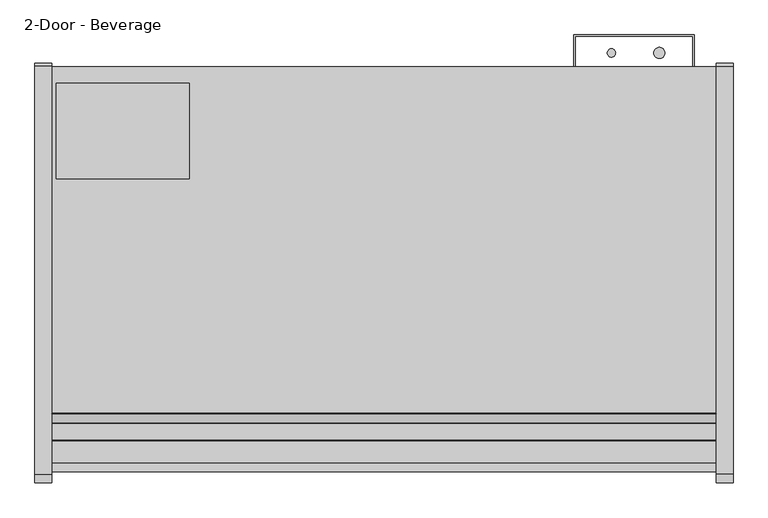
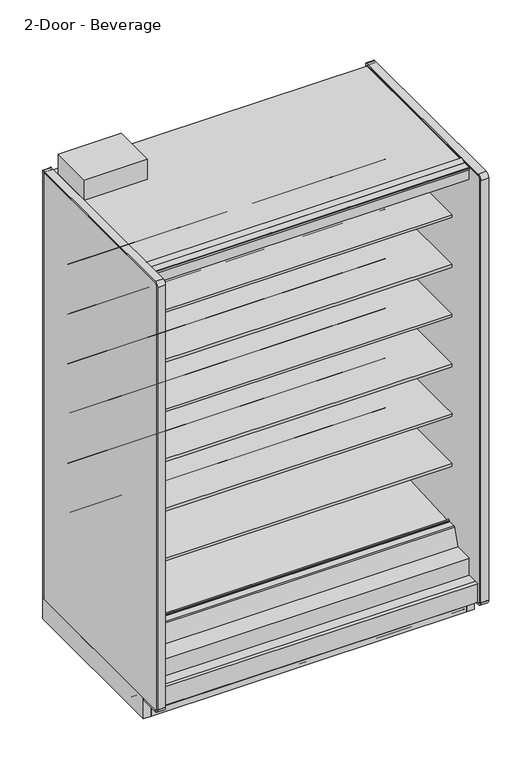
"""IFC4 building model written with IfcOpenShell, lengths in millimetres: proxy geometry, 2-Door - Beverage."""

import ifcopenshell
import ifcopenshell.guid

model = None  # the IFC model being written
_history = None  # IfcOwnerHistory: only IFC2X3 demands one
_inside = {}  # id of a spatial element -> (the spatial element, [elements in it])
_under = {}  # id of a project, library or spatial element -> (it, [spatial elements below it])
_declared = {}  # id of a project -> (the project, [libraries it declares])
_typed = {}  # id of a type object -> (the type object, [elements of that type])
_made_of = {}  # id of a material, layer set ... -> (it, [elements and type objects made of it])


def new_model(schema):
    """Start an empty IFC model of exactly this schema.

    Asked for "IFC4X3", IfcOpenShell would pick the latest addendum, in which some entities
    have other attributes; the version numbers below select the first issue.
    IFC2X3 requires an IfcOwnerHistory on every rooted entity: one is made here for all.
    """
    global model, _history
    if schema == "IFC4X3":
        model = ifcopenshell.file(schema_version=(4, 3, 0, 0))
    else:
        model = ifcopenshell.file(schema=schema)
    _inside.clear()
    _under.clear()
    _declared.clear()
    _typed.clear()
    _made_of.clear()
    _history = None
    if model.schema == "IFC2X3":
        org = make("IfcOrganization", Name="unknown")
        user = make(
            "IfcPersonAndOrganization",
            ThePerson=make("IfcPerson", FamilyName="unknown"),
            TheOrganization=org,
        )
        app = make(
            "IfcApplication",
            ApplicationDeveloper=org,
            Version="unknown",
            ApplicationFullName="unknown",
            ApplicationIdentifier="unknown",
        )
        _history = make(
            "IfcOwnerHistory",
            OwningUser=user,
            OwningApplication=app,
            ChangeAction="ADDED",
            CreationDate=0,
        )
    return model


def make(cls, **values):
    """One entity of the class cls with the attributes given. An attribute that is None is left unset."""
    return model.create_entity(
        cls, **{name: value for name, value in values.items() if value is not None}
    )


def rooted(cls, **values):
    """An entity with a GlobalId (a new one), such as an element, a storey or a relation."""
    return make(cls, GlobalId=ifcopenshell.guid.new(), OwnerHistory=_history, **values)


def si_unit(unit_type, name, prefix=None):
    """IfcSIUnit, for example si_unit("LENGTHUNIT", "METRE", prefix="MILLI")."""
    return make("IfcSIUnit", UnitType=unit_type, Prefix=prefix, Name=name)


def assignment(units):
    """IfcUnitAssignment: the units of a project."""
    return None if units is None else make("IfcUnitAssignment", Units=units)


def point(xyz):
    """IfcCartesianPoint."""
    return None if xyz is None else make("IfcCartesianPoint", Coordinates=xyz)


def direction(xyz):
    """IfcDirection."""
    return None if xyz is None else make("IfcDirection", DirectionRatios=xyz)


def frame(location, z_axis=None, x_axis=None):
    """IfcAxis2Placement3D, a coordinate frame: its origin and axes. An axis left out is left unset."""
    return make(
        "IfcAxis2Placement3D",
        Location=point(location),
        Axis=direction(z_axis),
        RefDirection=direction(x_axis),
    )


def frame_2d(location, x_axis=None):
    """IfcAxis2Placement2D, a coordinate frame in the plane: its origin and x axis."""
    return make(
        "IfcAxis2Placement2D", Location=point(location), RefDirection=direction(x_axis)
    )


def origin():
    """The frame at (0, 0, 0) with its axes left unset."""
    return frame((0.0, 0.0, 0.0))


def origin_with_axes():
    """The frame at (0, 0, 0) with the z axis (0, 0, 1) and the x axis (1, 0, 0) written out."""
    return frame((0.0, 0.0, 0.0), z_axis=(0.0, 0.0, 1.0), x_axis=(1.0, 0.0, 0.0))


def place(relative_to, where):
    """IfcLocalPlacement: puts the frame where relative to a parent placement (None: the world)."""
    return make(
        "IfcLocalPlacement", PlacementRelTo=relative_to, RelativePlacement=where
    )


def context(
    kind, dimensions, precision=None, world=None, true_north=None, identifier=None
):
    """IfcGeometricRepresentationContext, for example the 3D "Model" context."""
    return make(
        "IfcGeometricRepresentationContext",
        ContextIdentifier=identifier,
        ContextType=kind,
        CoordinateSpaceDimension=dimensions,
        Precision=precision,
        WorldCoordinateSystem=world,
        TrueNorth=true_north,
    )


def project(units=None, contexts=None):
    """IfcProject with its units and contexts."""
    return rooted(
        "IfcProject",
        Name="project",
        RepresentationContexts=contexts,
        UnitsInContext=assignment(units),
    )


def spatial(cls, under=None, at=None, **own):
    """A site, building, storey or space (cls), placed at a placement, below another one or the project."""
    s = rooted(cls, ObjectPlacement=at, **own)
    if under is not None:
        _under.setdefault(under.id(), (under, []))[1].append(s)
    return s


def polyline(points):
    """IfcPolyline through the points."""
    return make("IfcPolyline", Points=[point(p) for p in points])


def circle_curve(where, radius):
    """IfcCircle in the frame where."""
    return make("IfcCircle", Position=where, Radius=radius)


def trimmed(basis, trim1, trim2, sense, master):
    """IfcTrimmedCurve: the piece of a basis curve between two trims."""
    return make(
        "IfcTrimmedCurve",
        BasisCurve=basis,
        Trim1=trim1,
        Trim2=trim2,
        SenseAgreement=sense,
        MasterRepresentation=master,
    )


def segment(curve, same_sense, transition):
    """IfcCompositeCurveSegment."""
    return make(
        "IfcCompositeCurveSegment",
        Transition=transition,
        SameSense=same_sense,
        ParentCurve=curve,
    )


def composite_curve(segments, self_intersect=None):
    """IfcCompositeCurve: segments joined end to end."""
    return make("IfcCompositeCurve", Segments=segments, SelfIntersect=self_intersect)


def outline(outer, holes=None, kind="AREA"):
    """IfcArbitraryClosedProfileDef: a profile drawn as a closed curve; with holes, ...WithVoids."""
    if holes is None:
        return make("IfcArbitraryClosedProfileDef", ProfileType=kind, OuterCurve=outer)
    return make(
        "IfcArbitraryProfileDefWithVoids",
        ProfileType=kind,
        OuterCurve=outer,
        InnerCurves=holes,
    )


def extrude(swept, where, along, depth):
    """IfcExtrudedAreaSolid: the profile swept, set in the frame where, extruded along a direction by depth."""
    return make(
        "IfcExtrudedAreaSolid",
        SweptArea=swept,
        Position=where,
        ExtrudedDirection=direction(along),
        Depth=depth,
    )


def shape(context_of_items, identifier, shape_type, items):
    """IfcShapeRepresentation: the items that make up one representation, for example the "Body"."""
    return make(
        "IfcShapeRepresentation",
        ContextOfItems=context_of_items,
        RepresentationIdentifier=identifier,
        RepresentationType=shape_type,
        Items=items,
    )


def source(mapping_origin, context_of_items, identifier, shape_type, items):
    """IfcRepresentationMap: a shape defined once, which mapped items show again and again."""
    return make(
        "IfcRepresentationMap",
        MappingOrigin=mapping_origin,
        MappedRepresentation=shape(context_of_items, identifier, shape_type, items),
    )


def transform(
    local_origin,
    x_axis=None,
    y_axis=None,
    z_axis=None,
    scale=None,
    scale2=None,
    scale3=None,
    uniform=True,
):
    """IfcCartesianTransformationOperator3D, or its non-uniform kind. x_axis, y_axis, z_axis: its Axis1, 2, 3."""
    if uniform:
        return make(
            "IfcCartesianTransformationOperator3D",
            Axis1=direction(x_axis),
            Axis2=direction(y_axis),
            LocalOrigin=point(local_origin),
            Scale=scale,
            Axis3=direction(z_axis),
        )
    return make(
        "IfcCartesianTransformationOperator3DnonUniform",
        Axis1=direction(x_axis),
        Axis2=direction(y_axis),
        LocalOrigin=point(local_origin),
        Scale=scale,
        Axis3=direction(z_axis),
        Scale2=scale2,
        Scale3=scale3,
    )


def mapped(mapping_source, mapping_target):
    """IfcMappedItem: shows the shape of a source again, moved by a transform."""
    return make(
        "IfcMappedItem", MappingSource=mapping_source, MappingTarget=mapping_target
    )


def made_of(thing, what):
    """Note that an element or type object is made of a material, layer set ...; save() writes the relation."""
    if what is not None:
        _made_of.setdefault(what.id(), (what, []))[1].append(thing)
    return thing


def element(
    cls,
    number,
    at=None,
    inside=None,
    cuts=None,
    type_object=None,
    material=None,
    context=None,
    identifier="Body",
    shape_type=None,
    held_by="IfcProductDefinitionShape",
    body=None,
    shapes=None,
    **own,
):
    """One element of the class cls, such as IfcWall. Its Tag is "e" and its number.

    at: its placement. inside: the storey or other place that contains it. cuts: it is an
    opening in that element (IfcRelVoidsElement). A single representation is given by context,
    identifier, shape_type and body (its items); several are given by shapes. held_by: the class
    of the entity that holds the representations. save() writes the other relations.
    """
    e = rooted(cls, Tag="e%d" % number, ObjectPlacement=at, **own)
    if body is not None:
        shapes = [shape(context, identifier, shape_type, body)]
    if shapes is not None:
        e.Representation = make(held_by, Representations=shapes)
    if inside is not None:
        _inside.setdefault(inside.id(), (inside, []))[1].append(e)
    if cuts is not None:
        rooted(
            "IfcRelVoidsElement", RelatingBuildingElement=cuts, RelatedOpeningElement=e
        )
    if type_object is not None:
        _typed.setdefault(type_object.id(), (type_object, []))[1].append(e)
    return made_of(e, material)


def aggregate(whole, parts):
    """IfcRelAggregates: a whole, such as a stair, and the parts it consists of."""
    return rooted("IfcRelAggregates", RelatingObject=whole, RelatedObjects=parts)


def save(model, path):
    """Write the relations noted so far, then the file.

    IfcRelAggregates (storeys below a building ...), IfcRelContainedInSpatialStructure (elements
    in a storey), IfcRelDefinesByType, IfcRelAssociatesMaterial and IfcRelDeclares: one each for
    every whole, place, type object, material and project.
    """
    for whole, parts in _under.values():
        aggregate(whole, parts)
    for where, things in _inside.values():
        rooted(
            "IfcRelContainedInSpatialStructure",
            RelatedElements=things,
            RelatingStructure=where,
        )
    for kind, things in _typed.values():
        rooted("IfcRelDefinesByType", RelatedObjects=things, RelatingType=kind)
    for what, things in _made_of.values():
        rooted("IfcRelAssociatesMaterial", RelatedObjects=things, RelatingMaterial=what)
    for by, libraries in _declared.values():
        rooted("IfcRelDeclares", RelatingContext=by, RelatedDefinitions=libraries)
    model.write(path)


def plane_surface(at):
    """IfcPlane: the flat surface through the origin of the frame at, square to its z axis."""
    return make("IfcPlane", Position=at)


def cylinder_surface(at, radius):
    """IfcCylindricalSurface: all points at the distance radius from the z axis of the frame at."""
    return make("IfcCylindricalSurface", Position=at, Radius=radius)


def revolved_surface(curve, axis_point, axis_direction):
    """IfcSurfaceOfRevolution: the curve turned about the line through axis_point along axis_direction."""
    return make(
        "IfcSurfaceOfRevolution",
        SweptCurve=make("IfcArbitraryOpenProfileDef", ProfileType="CURVE", Curve=curve),
        AxisPosition=make("IfcAxis1Placement", Location=point(axis_point), Axis=direction(axis_direction)),
    )


def advanced_brep(points, edges, surfaces, faces):
    """IfcAdvancedBrep: a solid bounded by faces that lie on surfaces and meet in shared edges.

    An edge is (start, end): straight between two places in points (the first is 0);
    or (start, end, curve); or (start, end, curve, False) where it runs against its curve.
    A face is (place in surfaces, loops), or (place, loops, False) where it looks against
    its surface's normal. A loop lists edges by number (the first is 1), with a minus sign
    where the edge is run from its end to its start. The first loop is the outer one.
    """
    corners = [point(p) for p in points]
    vertices = [make("IfcVertexPoint", VertexGeometry=c) for c in corners]
    made = []
    for start, end, *more in edges:
        made.append(
            make(
                "IfcEdgeCurve",
                EdgeStart=vertices[start],
                EdgeEnd=vertices[end],
                EdgeGeometry=more[0] if more else make("IfcPolyline", Points=[corners[start], corners[end]]),
                SameSense=more[1] if len(more) > 1 else True,
            )
        )
    hull = []
    for where, loops, *sense in faces:
        bounds = []
        for j, loop in enumerate(loops):
            ring = [make("IfcOrientedEdge", EdgeElement=made[abs(k) - 1], Orientation=k > 0) for k in loop]
            bounds.append(
                make(
                    "IfcFaceOuterBound" if j == 0 else "IfcFaceBound",
                    Bound=make("IfcEdgeLoop", EdgeList=ring),
                    Orientation=True,
                )
            )
        hull.append(make("IfcAdvancedFace", Bounds=bounds, FaceSurface=surfaces[where], SameSense=sense[0] if sense else True))
    return make("IfcAdvancedBrep", Outer=make("IfcClosedShell", CfsFaces=hull))


def proxy_2_door_beverage_eebca44d(model_context):
    return source(origin(), model_context, "Body", "SolidModel", [
        extrude(outline(polyline([(1524.0, -1167.5349267), (1524.0, -1183.4099267), (0.0, -1183.4099267), (0.0, -1167.5349267), (1524.0, -1167.5349267)])), origin_with_axes(), (0.0, 0.0, 1.0), 105.16235),
        extrude(outline(polyline([(315.9000882, -386.7007273), (315.9000882, -605.1295388), (11.1115648, -605.1295388), (11.1115648, -386.7007273), (315.9000882, -386.7007273)])), frame((0.0, 0.0, 2282.825), z_axis=(0.0, 0.0, 1.0), x_axis=(1.0, 0.0, 0.0)), (0.0, 0.0, 1.0), 101.6),
        extrude(outline(composite_curve([segment(trimmed(circle_curve(frame_2d((1393.1930803, -317.2571273)), 12.7), [point((1380.4930803, -317.2571273))], [point((1405.8930803, -317.2571273))], False, "CARTESIAN"), True, "CONTINUOUS"), segment(trimmed(circle_curve(frame_2d((1393.1930803, -317.2571273)), 12.7), [point((1405.8930803, -317.2571273))], [point((1380.4930803, -317.2571273))], False, "CARTESIAN"), True, "CONTINUOUS")], self_intersect=False)), frame((0.0, 0.0, 1447.6965458), z_axis=(0.0, 0.0, 1.0), x_axis=(1.0, 0.0, 0.0)), (0.0, 0.0, 1.0), 508.0),
        extrude(outline(composite_curve([segment(trimmed(circle_curve(frame_2d((1283.2004524, -317.2571273)), 9.525), [point((1273.6754524, -317.2571273))], [point((1292.7254524, -317.2571273))], False, "CARTESIAN"), True, "CONTINUOUS"), segment(trimmed(circle_curve(frame_2d((1283.2004524, -317.2571273)), 9.525), [point((1292.7254524, -317.2571273))], [point((1273.6754524, -317.2571273))], False, "CARTESIAN"), True, "CONTINUOUS")], self_intersect=False)), frame((0.0, 0.0, 1447.6965458), z_axis=(0.0, 0.0, 1.0), x_axis=(1.0, 0.0, 0.0)), (0.0, 0.0, 1.0), 508.0),
        extrude(outline(composite_curve([segment(trimmed(circle_curve(frame_2d((1384.8004524, -526.8071273)), 9.525), [point((1375.2754524, -526.8071273))], [point((1394.3254524, -526.8071273))], False, "CARTESIAN"), True, "CONTINUOUS"), segment(trimmed(circle_curve(frame_2d((1384.8004524, -526.8071273)), 9.525), [point((1394.3254524, -526.8071273))], [point((1375.2754524, -526.8071273))], False, "CARTESIAN"), True, "CONTINUOUS")], self_intersect=False)), frame((0.0, 0.0, 57.8450688), z_axis=(0.0, 0.0, 1.0), x_axis=(1.0, 0.0, 0.0)), (0.0, 0.0, 1.0), 47.3172812),
        extrude(outline(composite_curve([segment(trimmed(circle_curve(frame_2d((1431.2930803, -526.8071273)), 12.7), [point((1418.5930803, -526.8071273))], [point((1443.9930803, -526.8071273))], False, "CARTESIAN"), True, "CONTINUOUS"), segment(trimmed(circle_curve(frame_2d((1431.2930803, -526.8071273)), 12.7), [point((1443.9930803, -526.8071273))], [point((1418.5930803, -526.8071273))], False, "CARTESIAN"), True, "CONTINUOUS")], self_intersect=False)), frame((0.0, 0.0, 57.8450688), z_axis=(0.0, 0.0, 1.0), x_axis=(1.0, 0.0, 0.0)), (0.0, 0.0, 1.0), 47.3172812),
        extrude(outline(composite_curve([segment(trimmed(circle_curve(frame_2d((762.0, -945.9071273)), 38.1), [point((723.9, -945.9071273))], [point((800.1, -945.9071273))], False, "CARTESIAN"), True, "CONTINUOUS"), segment(trimmed(circle_curve(frame_2d((762.0, -945.9071273)), 38.1), [point((800.1, -945.9071273))], [point((723.9, -945.9071273))], False, "CARTESIAN"), True, "CONTINUOUS")], self_intersect=False)), frame((0.0, 0.0, 57.8450688), z_axis=(0.0, 0.0, 1.0), x_axis=(1.0, 0.0, 0.0)), (0.0, 0.0, 1.0), 47.3172812),
        extrude(outline(polyline([(114.3, -411.7999572), (114.3, -462.5999572), (0.0, -462.5999572), (0.0, -411.7999572), (114.3, -411.7999572)])), frame((0.0, 0.0, 63.88735), z_axis=(0.0, 0.0, 1.0), x_axis=(1.0, 0.0, 0.0)), (0.0, 0.0, 1.0), 6.35),
        extrude(outline(polyline([(-349.0071273, 2231.5678), (-349.0071273, 105.16235), (-1256.6126273, 105.16235), (-1256.6126273, 201.2447768), (-1205.5205047, 201.2447768), (-1205.5205047, 169.3369447), (-1112.6665508, 150.0632248), (-401.0517273, 187.3573774), (-401.0517273, 2231.5678), (-349.0071273, 2231.5678)])), frame((0.0, 0.0, 0.0), z_axis=(1.0, 0.0, 0.0), x_axis=(0.0, 1.0, 0.0)), (0.0, 0.0, 1.0), 1524.0),
        advanced_brep(
        [(1524.0, -1018.871097, 105.16235), (1524.0, -1022.1071273, 101.9263197), (1524.0, -1022.1071273, 2.3876), (1524.0, -1019.7195273, 0.0), (1524.0, -982.0132273, 0.0), (1524.0, -982.0132273, 70.23735), (1524.0, -383.2457368, 70.23735), (1524.0, -383.2457368, 0.0), (1524.0, -351.3947273, 0.0), (1524.0, -349.0071273, 2.3876), (1524.0, -349.0071273, 100.830191), (1524.0, -353.3392863, 105.16235), (0.0, -1018.871097, 105.16235), (0.0, -353.3392863, 105.16235), (0.0, -349.0071273, 100.830191), (0.0, -349.0071273, 2.3876), (0.0, -351.3947273, 0.0), (0.0, -383.2457368, 0.0), (0.0, -383.2457368, 70.23735), (0.0, -982.0132273, 70.23735), (0.0, -982.0132273, 0.0), (0.0, -1019.7195273, 0.0), (0.0, -1022.1071273, 2.3876), (0.0, -1022.1071273, 101.9263197), (812.8, -945.9071273, 105.16235), (711.2, -945.9071273, 105.16235), (1460.5, -526.8071273, 105.16235), (1358.9, -526.8071273, 105.16235), (726.2650095, -982.0132273, 70.23735), (797.7349905, -982.0132273, 70.23735), (812.8, -945.9071273, 70.23735), (711.2, -945.9071273, 70.23735), (1358.9, -526.8071273, 70.23735), (1460.5, -526.8071273, 70.23735)],
        [
            (0, 1, circle_curve(frame((1524.0, -1018.871097, 101.9263197), z_axis=(1.0, 0.0, 0.0), x_axis=(0.0, 1.0, 0.0)), 3.2360303)),
            (1, 2),
            (2, 3, circle_curve(frame((1524.0, -1019.7195273, 2.3876), z_axis=(1.0, 0.0, 0.0), x_axis=(0.0, 1.0, 0.0)), 2.3876)),
            (3, 4),
            (4, 5),
            (5, 6),
            (6, 7),
            (7, 8),
            (8, 9, circle_curve(frame((1524.0, -351.3947273, 2.3876), z_axis=(1.0, 0.0, 0.0), x_axis=(0.0, 1.0, 0.0)), 2.3876)),
            (9, 10),
            (10, 11, circle_curve(frame((1524.0, -353.3392863, 100.830191), z_axis=(1.0, 0.0, 0.0), x_axis=(0.0, 1.0, 0.0)), 4.332159)),
            (11, 0),
            (12, 13),
            (13, 14, circle_curve(frame((0.0, -353.3392863, 100.830191), z_axis=(-1.0, 0.0, 0.0), x_axis=(0.0, 1.0, 0.0)), 4.332159)),
            (14, 15),
            (15, 16, circle_curve(frame((0.0, -351.3947273, 2.3876), z_axis=(-1.0, 0.0, 0.0), x_axis=(0.0, 1.0, 0.0)), 2.3876)),
            (16, 17),
            (17, 18),
            (18, 19),
            (19, 20),
            (20, 21),
            (21, 22, circle_curve(frame((0.0, -1019.7195273, 2.3876), z_axis=(-1.0, 0.0, 0.0), x_axis=(0.0, 1.0, 0.0)), 2.3876)),
            (22, 23),
            (23, 12, circle_curve(frame((0.0, -1018.871097, 101.9263197), z_axis=(-1.0, 0.0, 0.0), x_axis=(0.0, 1.0, 0.0)), 3.2360303)),
            (10, 14),
            (13, 11),
            (12, 0),
            (24, 25, circle_curve(frame((762.0, -945.9071273, 105.16235), z_axis=(0.0, 0.0, -1.0), x_axis=(1.0, 0.0, 0.0)), 50.8)),
            (25, 24, circle_curve(frame((762.0, -945.9071273, 105.16235), z_axis=(0.0, 0.0, -1.0), x_axis=(1.0, 0.0, 0.0)), 50.8)),
            (26, 27, circle_curve(frame((1409.7, -526.8071273, 105.16235), z_axis=(0.0, 0.0, -1.0), x_axis=(1.0, 0.0, 0.0)), 50.8)),
            (27, 26, circle_curve(frame((1409.7, -526.8071273, 105.16235), z_axis=(0.0, 0.0, -1.0), x_axis=(1.0, 0.0, 0.0)), 50.8)),
            (23, 1),
            (22, 2),
            (21, 3),
            (20, 4),
            (19, 28),
            (28, 29),
            (29, 5),
            (29, 30, circle_curve(frame((762.0, -945.9071273, 70.23735), z_axis=(0.0, 0.0, 1.0), x_axis=(1.0, 0.0, 0.0)), 50.8)),
            (30, 31, circle_curve(frame((762.0, -945.9071273, 70.23735), z_axis=(0.0, 0.0, 1.0), x_axis=(1.0, 0.0, 0.0)), 50.8)),
            (31, 28, circle_curve(frame((762.0, -945.9071273, 70.23735), z_axis=(0.0, 0.0, 1.0), x_axis=(1.0, 0.0, 0.0)), 50.8)),
            (18, 6),
            (32, 33, circle_curve(frame((1409.7, -526.8071273, 70.23735), z_axis=(0.0, 0.0, 1.0), x_axis=(1.0, 0.0, 0.0)), 50.8)),
            (33, 32, circle_curve(frame((1409.7, -526.8071273, 70.23735), z_axis=(0.0, 0.0, 1.0), x_axis=(1.0, 0.0, 0.0)), 50.8)),
            (17, 7),
            (16, 8),
            (15, 9),
            (28, 29, circle_curve(frame((762.0, -945.9071273, 70.23735), z_axis=(0.0, 0.0, 1.0), x_axis=(1.0, 0.0, 0.0)), 50.8)),
            (24, 30),
            (31, 25),
            (32, 27),
            (26, 33),
        ],
        [
            plane_surface(frame((1524.0, -1015.6350667, 101.9263197), z_axis=(1.0, 0.0, 0.0), x_axis=(0.0, 0.0, 1.0))),
            plane_surface(frame((0.0, -1015.6350667, 101.9263197), z_axis=(-1.0, 0.0, 0.0), x_axis=(0.0, 0.0, -1.0))),
            cylinder_surface(frame((0.0, -353.3392863, 100.830191), z_axis=(1.0, 0.0, 0.0), x_axis=(0.0, 1.0, 0.0)), 4.332159),
            plane_surface(frame((1524.0, -353.3392863, 105.16235), z_axis=(0.0, 0.0, 1.0), x_axis=(-1.0, 0.0, 0.0))),
            cylinder_surface(frame((0.0, -1018.871097, 101.9263197), z_axis=(1.0, 0.0, 0.0), x_axis=(0.0, 1.0, 0.0)), 3.2360303),
            plane_surface(frame((1524.0, -1022.1071273, 101.9263197), z_axis=(0.0, -1.0, 0.0), x_axis=(-1.0, 0.0, 0.0))),
            cylinder_surface(frame((0.0, -1019.7195273, 2.3876), z_axis=(1.0, 0.0, 0.0), x_axis=(0.0, 1.0, 0.0)), 2.3876),
            plane_surface(frame((1524.0, -1019.7195273, 0.0), z_axis=(0.0, 0.0, -1.0), x_axis=(-1.0, 0.0, 0.0))),
            plane_surface(frame((1524.0, -982.0132273, 0.0), z_axis=(0.0, 1.0, 0.0), x_axis=(-1.0, 0.0, 0.0))),
            plane_surface(frame((1524.0, -982.0132273, 70.23735), z_axis=(0.0, 0.0, -1.0), x_axis=(-1.0, 0.0, 0.0))),
            plane_surface(frame((1524.0, -383.2457368, 70.23735), z_axis=(0.0, -1.0, 0.0), x_axis=(-1.0, 0.0, 0.0))),
            plane_surface(frame((1524.0, -383.2457368, 0.0), z_axis=(0.0, 0.0, -1.0), x_axis=(-1.0, 0.0, 0.0))),
            cylinder_surface(frame((0.0, -351.3947273, 2.3876), z_axis=(1.0, 0.0, 0.0), x_axis=(0.0, 1.0, 0.0)), 2.3876),
            plane_surface(frame((812.8, -945.9071273, 70.23735), z_axis=(0.0, 0.0, 1.0), x_axis=(0.0, -1.0, 0.0))),
            revolved_surface(polyline([(812.8, -945.9071273, 105.16235), (812.8, -945.9071273, 70.23735)]), (762.0, -945.9071273, 70.23735), (0.0, 0.0, 1.0)),
            revolved_surface(polyline([(1460.5, -526.8071273, 105.16235), (1460.5, -526.8071273, 70.23735)]), (1409.7, -526.8071273, 0.0), (0.0, 0.0, 1.0)),
            plane_surface(frame((1524.0, -349.0071273, 2.3876), z_axis=(0.0, 1.0, 0.0), x_axis=(-1.0, 0.0, 0.0))),
        ],
        [
            (0, [[1, 2, 3, 4, 5, 6, 7, 8, 9, 10, 11, 12]]),
            (1, [[13, 14, 15, 16, 17, 18, 19, 20, 21, 22, 23, 24]]),
            (2, [[-11, 25, -14, 26]]),
            (3, [[-12, -26, -13, 27], [28, 29], [30, 31]]),
            (4, [[-1, -27, -24, 32]]),
            (5, [[-2, -32, -23, 33]]),
            (6, [[-3, -33, -22, 34]]),
            (7, [[-4, -34, -21, 35]]),
            (8, [[-5, -35, -20, 36, 37, 38]]),
            (9, [[-6, -38, 39, 40, 41, -36, -19, 42], [43, 44]]),
            (10, [[-7, -42, -18, 45]]),
            (11, [[-8, -45, -17, 46]]),
            (12, [[-9, -46, -16, 47]]),
            (13, [[48, -37]]),
            (14, [[49, -39, -48, -41, 50, -28]]),
            (14, [[-49, -29, -50, -40]]),
            (15, [[51, -30, 52, -43]]),
            (15, [[-51, -44, -52, -31]]),
            (16, [[-10, -47, -15, -25]]),
        ],
    ),
        extrude(outline(polyline([(1196.975, -349.0071273), (1196.975, -275.9821273), (1473.2, -275.9821273), (1473.2, -349.0071273), (1470.025, -349.0071273), (1470.025, -279.1571273), (1200.15, -279.1571273), (1200.15, -349.0071273), (1196.975, -349.0071273)])), frame((0.0, 0.0, 304.927), z_axis=(0.0, 0.0, 1.0), x_axis=(1.0, 0.0, 0.0)), (0.0, 0.0, 1.0), 1523.3666145),
        extrude(outline(composite_curve([segment(polyline([(-452.3089273, 610.906076), (-470.5727913, 610.5955195)]), True, "CONTINUOUS"), segment(trimmed(circle_curve(frame_2d((-471.0046274, 635.9918483)), 25.4), [point((-470.5727913, 610.5955195))], [point((-486.9819836, 616.2463656))], False, "CARTESIAN"), True, "CONTINUOUS"), segment(polyline([(-486.9819836, 616.2463656), (-504.8340447, 630.6916311)]), True, "CONTINUOUS"), segment(trimmed(circle_curve(frame_2d((-544.7774354, 581.3279244)), 63.5), [point((-504.8340447, 630.6916311))], [point((-536.8795542, 644.3348563))], True, "CARTESIAN"), True, "CONTINUOUS"), segment(polyline([(-536.8795542, 644.3348563), (-751.3282218, 668.0319937), (-752.8169983, 671.4725458), (-1061.9089273, 671.4725458), (-1061.9089273, 685.6965458), (-452.3089273, 685.6965458), (-452.3089273, 610.906076)]), True, "CONTINUOUS")], self_intersect=False)), frame((0.0, 0.0, 0.0), z_axis=(1.0, 0.0, 0.0), x_axis=(0.0, 1.0, 0.0)), (0.0, 0.0, 1.0), 1524.0),
        extrude(outline(composite_curve([segment(polyline([(-452.3089273, 864.906076), (-470.5727913, 864.5955195)]), True, "CONTINUOUS"), segment(trimmed(circle_curve(frame_2d((-471.0046274, 889.9918483)), 25.4), [point((-470.5727913, 864.5955195))], [point((-486.9819836, 870.2463656))], False, "CARTESIAN"), True, "CONTINUOUS"), segment(polyline([(-486.9819836, 870.2463656), (-504.8340447, 884.6916311)]), True, "CONTINUOUS"), segment(trimmed(circle_curve(frame_2d((-544.7774354, 835.3279244)), 63.5), [point((-504.8340447, 884.6916311))], [point((-536.8795542, 898.3348563))], True, "CARTESIAN"), True, "CONTINUOUS"), segment(polyline([(-536.8795542, 898.3348563), (-751.3282218, 922.0319937), (-752.8169983, 925.4725458), (-1061.9089273, 925.4725458), (-1061.9089273, 939.6965458), (-452.3089273, 939.6965458), (-452.3089273, 864.906076)]), True, "CONTINUOUS")], self_intersect=False)), frame((0.0, 0.0, 0.0), z_axis=(1.0, 0.0, 0.0), x_axis=(0.0, 1.0, 0.0)), (0.0, 0.0, 1.0), 1524.0),
        extrude(outline(composite_curve([segment(polyline([(-452.3089273, 1118.906076), (-470.5727913, 1118.5955195)]), True, "CONTINUOUS"), segment(trimmed(circle_curve(frame_2d((-471.0046274, 1143.9918483)), 25.4), [point((-470.5727913, 1118.5955195))], [point((-486.9819836, 1124.2463656))], False, "CARTESIAN"), True, "CONTINUOUS"), segment(polyline([(-486.9819836, 1124.2463656), (-504.8340447, 1138.6916311)]), True, "CONTINUOUS"), segment(trimmed(circle_curve(frame_2d((-544.7774354, 1089.3279244)), 63.5), [point((-504.8340447, 1138.6916311))], [point((-536.8795542, 1152.3348563))], True, "CARTESIAN"), True, "CONTINUOUS"), segment(polyline([(-536.8795542, 1152.3348563), (-751.3282218, 1176.0319937), (-752.8169983, 1179.4725458), (-1061.9089273, 1179.4725458), (-1061.9089273, 1193.6965458), (-452.3089273, 1193.6965458), (-452.3089273, 1118.906076)]), True, "CONTINUOUS")], self_intersect=False)), frame((0.0, 0.0, 0.0), z_axis=(1.0, 0.0, 0.0), x_axis=(0.0, 1.0, 0.0)), (0.0, 0.0, 1.0), 1524.0),
        extrude(outline(composite_curve([segment(polyline([(-452.3089273, 1372.906076), (-470.5727913, 1372.5955195)]), True, "CONTINUOUS"), segment(trimmed(circle_curve(frame_2d((-471.0046274, 1397.9918483)), 25.4), [point((-470.5727913, 1372.5955195))], [point((-486.9819836, 1378.2463656))], False, "CARTESIAN"), True, "CONTINUOUS"), segment(polyline([(-486.9819836, 1378.2463656), (-504.8340447, 1392.6916311)]), True, "CONTINUOUS"), segment(trimmed(circle_curve(frame_2d((-544.7774354, 1343.3279244)), 63.5), [point((-504.8340447, 1392.6916311))], [point((-536.8795542, 1406.3348563))], True, "CARTESIAN"), True, "CONTINUOUS"), segment(polyline([(-536.8795542, 1406.3348563), (-751.3282218, 1430.0319937), (-752.8169983, 1433.4725458), (-1061.9089273, 1433.4725458), (-1061.9089273, 1447.6965458), (-452.3089273, 1447.6965458), (-452.3089273, 1372.906076)]), True, "CONTINUOUS")], self_intersect=False)), frame((0.0, 0.0, 0.0), z_axis=(1.0, 0.0, 0.0), x_axis=(0.0, 1.0, 0.0)), (0.0, 0.0, 1.0), 1524.0),
        extrude(outline(composite_curve([segment(polyline([(-452.3089273, 1626.906076), (-470.5727913, 1626.5955195)]), True, "CONTINUOUS"), segment(trimmed(circle_curve(frame_2d((-471.0046274, 1651.9918483)), 25.4), [point((-470.5727913, 1626.5955195))], [point((-486.9819836, 1632.2463656))], False, "CARTESIAN"), True, "CONTINUOUS"), segment(polyline([(-486.9819836, 1632.2463656), (-504.8340447, 1646.6916311)]), True, "CONTINUOUS"), segment(trimmed(circle_curve(frame_2d((-544.7774354, 1597.3279244)), 63.5), [point((-504.8340447, 1646.6916311))], [point((-536.8795542, 1660.3348563))], True, "CARTESIAN"), True, "CONTINUOUS"), segment(polyline([(-536.8795542, 1660.3348563), (-751.3282218, 1684.0319937), (-752.8169983, 1687.4725458), (-1061.9089273, 1687.4725458), (-1061.9089273, 1701.6965458), (-452.3089273, 1701.6965458), (-452.3089273, 1626.906076)]), True, "CONTINUOUS")], self_intersect=False)), frame((0.0, 0.0, 0.0), z_axis=(1.0, 0.0, 0.0), x_axis=(0.0, 1.0, 0.0)), (0.0, 0.0, 1.0), 1524.0),
        extrude(outline(composite_curve([segment(polyline([(-452.3089273, 1880.906076), (-470.5727913, 1880.5955195)]), True, "CONTINUOUS"), segment(trimmed(circle_curve(frame_2d((-471.0046274, 1905.9918483)), 25.4), [point((-470.5727913, 1880.5955195))], [point((-486.9819836, 1886.2463656))], False, "CARTESIAN"), True, "CONTINUOUS"), segment(polyline([(-486.9819836, 1886.2463656), (-504.8340447, 1900.6916311)]), True, "CONTINUOUS"), segment(trimmed(circle_curve(frame_2d((-544.7774354, 1851.3279244)), 63.5), [point((-504.8340447, 1900.6916311))], [point((-536.8795542, 1914.3348563))], True, "CARTESIAN"), True, "CONTINUOUS"), segment(polyline([(-536.8795542, 1914.3348563), (-751.3282218, 1938.0319937), (-752.8169983, 1941.4725458), (-1061.9089273, 1941.4725458), (-1061.9089273, 1955.6965458), (-452.3089273, 1955.6965458), (-452.3089273, 1880.906076)]), True, "CONTINUOUS")], self_intersect=False)), frame((0.0, 0.0, 0.0), z_axis=(1.0, 0.0, 0.0), x_axis=(0.0, 1.0, 0.0)), (0.0, 0.0, 1.0), 1524.0),
        advanced_brep(
        [(1524.0, -562.1054156, 392.489408), (1524.0, -565.4345004, 395.3833373), (1524.0, -1028.1778581, 371.1319845), (1524.0, -1031.8816746, 374.3516629), (1524.0, -1032.3723429, 379.9600263), (1524.0, -1039.3602618, 380.0840123), (1524.0, -1037.6796074, 360.8740328), (1524.0, -1031.0214377, 355.0861739), (1524.0, -564.4043684, 379.5405382), (1524.0, -561.4040704, 382.9438378), (0.0, -562.1054156, 392.489408), (0.0, -561.4040704, 382.9438378), (0.0, -564.4043684, 379.5405382), (0.0, -1031.0214377, 355.0861739), (0.0, -1037.6796074, 360.8740328), (0.0, -1039.3602618, 380.0840123), (0.0, -1032.4336802, 379.95466), (0.0, -1031.8816746, 374.3516629), (0.0, -1028.1778581, 371.1319845), (0.0, -565.4345004, 395.3833373)],
        [
            (0, 1, circle_curve(frame((1524.0, -565.2683338, 392.2126885), z_axis=(1.0, 0.0, 0.0), x_axis=(0.0, 1.0, 0.0)), 3.175)),
            (1, 2),
            (2, 3, circle_curve(frame((1524.0, -1028.362729, 374.6595308), z_axis=(-1.0, 0.0, 0.0), x_axis=(0.0, 1.0, 0.0)), 3.5323874)),
            (3, 4),
            (4, 5, circle_curve(frame((1524.0, -1035.9038485, 379.6510595), z_axis=(1.0, 0.0, 0.0), x_axis=(0.0, 1.0, 0.0)), 3.4834238)),
            (5, 6),
            (6, 7, circle_curve(frame((1524.0, -1031.353771, 361.4274714), z_axis=(1.0, 0.0, 0.0), x_axis=(0.0, 1.0, 0.0)), 6.35)),
            (7, 8),
            (8, 9, circle_curve(frame((1524.0, -564.5705351, 382.711187), z_axis=(1.0, 0.0, 0.0), x_axis=(0.0, 1.0, 0.0)), 3.175)),
            (9, 0),
            (10, 11),
            (11, 12, circle_curve(frame((0.0, -564.5705351, 382.711187), z_axis=(-1.0, 0.0, 0.0), x_axis=(0.0, 1.0, 0.0)), 3.175)),
            (12, 13),
            (13, 14, circle_curve(frame((0.0, -1031.353771, 361.4274714), z_axis=(-1.0, 0.0, 0.0), x_axis=(0.0, 1.0, 0.0)), 6.35)),
            (14, 15),
            (15, 16, circle_curve(frame((0.0, -1035.9038485, 379.6510595), z_axis=(-1.0, 0.0, 0.0), x_axis=(0.0, 1.0, 0.0)), 3.4834238)),
            (16, 17),
            (17, 18, circle_curve(frame((0.0, -1028.362729, 374.6595308), z_axis=(1.0, 0.0, 0.0), x_axis=(0.0, 1.0, 0.0)), 3.5323874)),
            (18, 19),
            (19, 10, circle_curve(frame((0.0, -565.2683338, 392.2126885), z_axis=(-1.0, 0.0, 0.0), x_axis=(0.0, 1.0, 0.0)), 3.175)),
            (0, 10),
            (19, 1),
            (18, 2),
            (17, 3),
            (16, 4),
            (15, 5),
            (14, 6),
            (13, 7),
            (12, 8),
            (11, 9),
        ],
        [
            plane_surface(frame((1524.0, -562.0933338, 392.2126885), z_axis=(1.0, 0.0, 0.0), x_axis=(0.0, 0.0, 1.0))),
            plane_surface(frame((0.0, -562.0933338, 392.2126885), z_axis=(-1.0, 0.0, 0.0), x_axis=(0.0, 0.0, -1.0))),
            cylinder_surface(frame((0.0, -565.2683338, 392.2126885), z_axis=(1.0, 0.0, 0.0), x_axis=(0.0, 1.0, 0.0)), 3.175),
            plane_surface(frame((1524.0, -565.4345004, 395.3833373), z_axis=(0.0, -0.05233595857633936, 0.9986295346322859), x_axis=(-1.0, 0.0, 0.0))),
            revolved_surface(polyline([(0.0, -1024.8303415999999, 374.6595308), (1524.0, -1024.8303415999999, 374.6595308)]), (0.0, -1028.362729, 374.6595308), (-1.0, 0.0, 0.0)),
            plane_surface(frame((1524.0, -1031.8816746, 374.3516629), z_axis=(0.0, 0.9961946955698885, 0.08715577157261226), x_axis=(-1.0, 0.0, 0.0))),
            cylinder_surface(frame((0.0, -1035.9038485, 379.6510595), z_axis=(1.0, 0.0, 0.0), x_axis=(0.0, 1.0, 0.0)), 3.4834238),
            plane_surface(frame((1524.0, -1039.3602618, 380.0840123), z_axis=(0.0, -0.9961947025639891, -0.08715569162966595), x_axis=(-1.0, 0.0, 0.0))),
            cylinder_surface(frame((0.0, -1031.353771, 361.4274714), z_axis=(1.0, 0.0, 0.0), x_axis=(0.0, 1.0, 0.0)), 6.35),
            plane_surface(frame((1524.0, -1031.0214377, 355.0861739), z_axis=(0.0, 0.05233595624300962, -0.9986295347545704), x_axis=(-1.0, 0.0, 0.0))),
            cylinder_surface(frame((0.0, -564.5705351, 382.711187), z_axis=(1.0, 0.0, 0.0), x_axis=(0.0, 1.0, 0.0)), 3.175),
            plane_surface(frame((1524.0, -561.4040704, 382.9438378), z_axis=(0.0, 0.9973117114183065, 0.07327585050948633), x_axis=(-1.0, 0.0, 0.0))),
        ],
        [
            (0, [[1, 2, 3, 4, 5, 6, 7, 8, 9, 10]]),
            (1, [[11, 12, 13, 14, 15, 16, 17, 18, 19, 20]]),
            (2, [[-1, 21, -20, 22]]),
            (3, [[-2, -22, -19, 23]]),
            (4, [[-3, -23, -18, 24]]),
            (5, [[-4, -24, -17, 25]]),
            (6, [[-5, -25, -16, 26]]),
            (7, [[-6, -26, -15, 27]]),
            (8, [[-7, -27, -14, 28]]),
            (9, [[-8, -28, -13, 29]]),
            (10, [[-9, -29, -12, 30]]),
            (11, [[-10, -30, -11, -21]]),
        ],
    ),
        extrude(outline(composite_curve([segment(polyline([(-452.3089273, 2205.7106), (-1055.5314174, 2205.7106), (-1076.6649541, 2210.5896614), (-1079.1443307, 2198.9251118)]), True, "CONTINUOUS"), segment(trimmed(circle_curve(frame_2d((-1080.6350276, 2199.2419692)), 1.524), [point((-1079.1443307, 2198.9251118))], [point((-1080.9518851, 2197.7512722))], False, "CARTESIAN"), True, "CONTINUOUS"), segment(polyline([(-1080.9518851, 2197.7512722), (-1146.9989273, 2211.7900045), (-1146.9989273, 2210.4040825)]), True, "CONTINUOUS"), segment(trimmed(circle_curve(frame_2d((-1149.3773588, 2210.6131219)), 2.3876), [point((-1146.9989273, 2210.4040825))], [point((-1149.3773097, 2208.2255219))], False, "CARTESIAN"), True, "CONTINUOUS"), segment(polyline([(-1149.3773097, 2208.2255219), (-1160.0080838, 2208.2253035), (-1160.0080838, 2223.5012119), (-1205.5205273, 2223.5012119), (-1205.5205273, 2282.0376)]), True, "CONTINUOUS"), segment(trimmed(circle_curve(frame_2d((-1204.7331273, 2282.0376)), 0.7874), [point((-1205.5205273, 2282.0376))], [point((-1204.7331273, 2282.825))], False, "CARTESIAN"), True, "CONTINUOUS"), segment(polyline([(-1204.7331273, 2282.825), (-349.0071273, 2282.825), (-349.0071273, 2231.5678), (-452.3089273, 2231.5678), (-452.3089273, 2205.7106)]), True, "CONTINUOUS")], self_intersect=False)), frame((0.0, 0.0, 0.0), z_axis=(1.0, 0.0, 0.0), x_axis=(0.0, 1.0, 0.0)), (0.0, 0.0, 1.0), 1524.0),
        extrude(outline(composite_curve([segment(polyline([(-1263.5976273, 105.16235), (-1274.6466273, 105.16235)]), True, "CONTINUOUS"), segment(trimmed(circle_curve(frame_2d((-1274.6466273, 106.81335)), 1.651), [point((-1274.6466273, 105.16235))], [point((-1276.2976273, 106.81335))], False, "CARTESIAN"), True, "CONTINUOUS"), segment(polyline([(-1276.2976273, 106.81335), (-1276.2976273, 201.2447768), (-1256.6126273, 201.2447768), (-1256.6126273, 106.62285), (-1263.5976273, 106.62285), (-1263.5976273, 105.16235)]), True, "CONTINUOUS")], self_intersect=False)), frame((0.0, 0.0, 0.0), z_axis=(1.0, 0.0, 0.0), x_axis=(0.0, 1.0, 0.0)), (0.0, 0.0, 1.0), 1524.0),
        extrude(outline(composite_curve([segment(polyline([(-1205.5205047, 288.3361558), (-1111.5273572, 288.3361558), (-1083.6940162, 372.3488205)]), True, "CONTINUOUS"), segment(trimmed(circle_curve(frame_2d((-1077.6662092, 370.3518119)), 6.35), [point((-1083.6940162, 372.3488205))], [point((-1077.6662092, 376.7018119))], False, "CARTESIAN"), True, "CONTINUOUS"), segment(polyline([(-1077.6662092, 376.7018119), (-1043.9140632, 376.7018119)]), True, "CONTINUOUS"), segment(trimmed(circle_curve(frame_2d((-1043.9140632, 372.471676)), 4.2301359), [point((-1043.9140632, 376.7018119))], [point((-1039.6839273, 372.471676))], False, "CARTESIAN"), True, "CONTINUOUS"), segment(polyline([(-1039.6839273, 372.471676), (-1039.6839273, 354.632192), (-560.553361, 379.742361), (-560.9721481, 391.7348557)]), True, "CONTINUOUS"), segment(trimmed(circle_curve(frame_2d((-556.4536725, 391.8926443)), 4.5212298), [point((-560.9721481, 391.7348557))], [point((-556.6114611, 396.41112))], False, "CARTESIAN"), True, "CONTINUOUS"), segment(polyline([(-556.6114611, 396.41112), (-470.3276537, 399.4242169)]), True, "CONTINUOUS"), segment(trimmed(circle_curve(frame_2d((-470.3772309, 400.8439205)), 1.420569), [point((-470.3276537, 399.4242169))], [point((-468.9575273, 400.8934976))], True, "CARTESIAN"), True, "CONTINUOUS"), segment(polyline([(-468.9575273, 400.8934976), (-469.2184151, 408.3643476)]), True, "CONTINUOUS"), segment(trimmed(circle_curve(frame_2d((-467.1682375, 408.4359413)), 2.0514273), [point((-469.2184151, 408.3643476))], [point((-467.2398313, 410.486119))], False, "CARTESIAN"), True, "CONTINUOUS"), segment(polyline([(-467.2398313, 410.486119), (-452.3089273, 411.0075176), (-452.3089273, 263.5334166), (-401.0517273, 263.5334166), (-401.0517273, 187.3573774), (-1112.6665508, 150.0632248), (-1205.5205047, 169.3369447), (-1205.5205047, 288.3361558)]), True, "CONTINUOUS")], self_intersect=False)), frame((0.0, 0.0, 0.0), z_axis=(1.0, 0.0, 0.0), x_axis=(0.0, 1.0, 0.0)), (0.0, 0.0, 1.0), 1524.0),
        extrude(outline(polyline([(1524.0, -401.0517273), (1524.0, -452.3089273), (0.0, -452.3089273), (0.0, -401.0517273), (1524.0, -401.0517273)])), frame((0.0, 0.0, 263.5334166), z_axis=(0.0, 0.0, 1.0), x_axis=(1.0, 0.0, 0.0)), (0.0, 0.0, 1.0), 1968.0343834),
        extrude(outline(composite_curve([segment(polyline([(-996.7011791, 30.0863), (-1022.1071273, 30.150134), (-1022.1071273, 1.512412), (-1162.480805, 1.5240398)]), True, "CONTINUOUS"), segment(trimmed(circle_curve(frame_2d((-1162.4803863, 6.5785802)), 5.0545404), [point((-1162.480805, 1.5240398))], [point((-1167.5349267, 6.5785802))], False, "CARTESIAN"), True, "CONTINUOUS"), segment(polyline([(-1167.5349267, 6.5785802), (-1167.5349267, 105.16235), (-996.7011791, 105.16235), (-996.7011791, 30.0863)]), True, "CONTINUOUS")], self_intersect=False)), frame((0.0, 0.0, 0.0), z_axis=(1.0, 0.0, 0.0), x_axis=(0.0, 1.0, 0.0)), (0.0, 0.0, 1.0), 1524.0),
        extrude(outline(composite_curve([segment(polyline([(-981.2258273, 0.0), (-1016.1381273, 0.0)]), True, "CONTINUOUS"), segment(trimmed(circle_curve(frame_2d((-1016.1381273, 5.1562)), 5.1562), [point((-1016.1381273, 0.0))], [point((-1021.2943273, 5.1562))], False, "CARTESIAN"), True, "CONTINUOUS"), segment(polyline([(-1021.2943273, 5.1562), (-1021.2943273, 24.892), (-1018.5257273, 24.892), (-1018.5257273, 5.1562)]), True, "CONTINUOUS"), segment(trimmed(circle_curve(frame_2d((-1016.1381273, 5.1562)), 2.3876), [point((-1018.5257273, 5.1562))], [point((-1016.1381273, 2.7686))], True, "CARTESIAN"), True, "CONTINUOUS"), segment(polyline([(-1016.1381273, 2.7686), (-981.2258273, 2.7686)]), True, "CONTINUOUS"), segment(trimmed(circle_curve(frame_2d((-981.2258273, 5.1562)), 2.3876), [point((-981.2258273, 2.7686))], [point((-978.8382273, 5.1562))], True, "CARTESIAN"), True, "CONTINUOUS"), segment(polyline([(-978.8382273, 5.1562), (-978.8382273, 20.5359)]), True, "CONTINUOUS"), segment(trimmed(circle_curve(frame_2d((-973.6820273, 20.5359)), 5.1562), [point((-978.8382273, 20.5359))], [point((-973.6820273, 25.6921))], False, "CARTESIAN"), True, "CONTINUOUS"), segment(polyline([(-973.6820273, 25.6921), (-962.4552273, 25.6921)]), True, "CONTINUOUS"), segment(trimmed(circle_curve(frame_2d((-962.4552273, 20.5359)), 5.1562), [point((-962.4552273, 25.6921))], [point((-957.2990273, 20.5359))], False, "CARTESIAN"), True, "CONTINUOUS"), segment(polyline([(-957.2990273, 20.5359), (-957.2990273, 5.1054), (-960.0676273, 5.1054), (-960.0676273, 20.5359)]), True, "CONTINUOUS"), segment(trimmed(circle_curve(frame_2d((-962.4552273, 20.5359)), 2.3876), [point((-960.0676273, 20.5359))], [point((-962.4552273, 22.9235))], True, "CARTESIAN"), True, "CONTINUOUS"), segment(polyline([(-962.4552273, 22.9235), (-973.6820273, 22.9235)]), True, "CONTINUOUS"), segment(trimmed(circle_curve(frame_2d((-973.6820273, 20.5359)), 2.3876), [point((-973.6820273, 22.9235))], [point((-976.0696273, 20.5359))], True, "CARTESIAN"), True, "CONTINUOUS"), segment(polyline([(-976.0696273, 20.5359), (-976.0696273, 5.1562)]), True, "CONTINUOUS"), segment(trimmed(circle_curve(frame_2d((-981.2258273, 5.1562)), 5.1562), [point((-976.0696273, 5.1562))], [point((-981.2258273, 0.0))], False, "CARTESIAN"), True, "CONTINUOUS")], self_intersect=False)), frame((0.0, 0.0, 0.0), z_axis=(1.0, 0.0, 0.0), x_axis=(0.0, 1.0, 0.0)), (0.0, 0.0, 1.0), 1524.0),
        extrude(outline(composite_curve([segment(trimmed(circle_curve(frame_2d((-389.0756273, 5.1562)), 5.1562), [point((-389.0756273, 0.0))], [point((-394.2318273, 5.1562))], False, "CARTESIAN"), True, "CONTINUOUS"), segment(polyline([(-394.2318273, 5.1562), (-394.2318273, 20.5359)]), True, "CONTINUOUS"), segment(trimmed(circle_curve(frame_2d((-396.6194273, 20.5359)), 2.3876), [point((-394.2318273, 20.5359))], [point((-396.6194273, 22.9235))], True, "CARTESIAN"), True, "CONTINUOUS"), segment(polyline([(-396.6194273, 22.9235), (-407.8462273, 22.9235)]), True, "CONTINUOUS"), segment(trimmed(circle_curve(frame_2d((-407.8462273, 20.5359)), 2.3876), [point((-407.8462273, 22.9235))], [point((-410.2338273, 20.5359))], True, "CARTESIAN"), True, "CONTINUOUS"), segment(polyline([(-410.2338273, 20.5359), (-410.2338273, 5.1054), (-413.0024273, 5.1054), (-413.0024273, 20.5359)]), True, "CONTINUOUS"), segment(trimmed(circle_curve(frame_2d((-407.8462273, 20.5359)), 5.1562), [point((-413.0024273, 20.5359))], [point((-407.8462273, 25.6921))], False, "CARTESIAN"), True, "CONTINUOUS"), segment(polyline([(-407.8462273, 25.6921), (-396.6194273, 25.6921)]), True, "CONTINUOUS"), segment(trimmed(circle_curve(frame_2d((-396.6194273, 20.5359)), 5.1562), [point((-396.6194273, 25.6921))], [point((-391.4632273, 20.5359))], False, "CARTESIAN"), True, "CONTINUOUS"), segment(polyline([(-391.4632273, 20.5359), (-391.4632273, 5.1562)]), True, "CONTINUOUS"), segment(trimmed(circle_curve(frame_2d((-389.0756273, 5.1562)), 2.3876), [point((-391.4632273, 5.1562))], [point((-389.0756273, 2.7686))], True, "CARTESIAN"), True, "CONTINUOUS"), segment(polyline([(-389.0756273, 2.7686), (-354.1633273, 2.7686)]), True, "CONTINUOUS"), segment(trimmed(circle_curve(frame_2d((-354.1633273, 5.1562)), 2.3876), [point((-354.1633273, 2.7686))], [point((-351.7757273, 5.1562))], True, "CARTESIAN"), True, "CONTINUOUS"), segment(polyline([(-351.7757273, 5.1562), (-351.7757273, 24.892), (-349.0071273, 24.892), (-349.0071273, 5.1562)]), True, "CONTINUOUS"), segment(trimmed(circle_curve(frame_2d((-354.1633273, 5.1562)), 5.1562), [point((-349.0071273, 5.1562))], [point((-354.1633273, 0.0))], False, "CARTESIAN"), True, "CONTINUOUS"), segment(polyline([(-354.1633273, 0.0), (-389.0756273, 0.0)]), True, "CONTINUOUS")], self_intersect=False)), frame((0.0, 0.0, 0.0), z_axis=(1.0, 0.0, 0.0), x_axis=(0.0, 1.0, 0.0)), (0.0, 0.0, 1.0), 1524.0),
        extrude(outline(composite_curve([segment(polyline([(-1144.001082, 2296.5368641), (-1143.416882, 2295.525), (-1164.9600823, 2283.0870275)]), True, "CONTINUOUS"), segment(trimmed(circle_curve(frame_2d((-1165.9379823, 2284.7808)), 1.9558), [point((-1164.9600823, 2283.0870275))], [point((-1165.9379823, 2282.825))], False, "CARTESIAN"), True, "CONTINUOUS"), segment(polyline([(-1165.9379823, 2282.825), (-1204.7331273, 2282.825)]), True, "CONTINUOUS"), segment(trimmed(circle_curve(frame_2d((-1204.7331273, 2282.0376)), 0.7874), [point((-1204.7331273, 2282.825))], [point((-1205.5205273, 2282.0376))], True, "CARTESIAN"), True, "CONTINUOUS"), segment(polyline([(-1205.5205273, 2282.0376), (-1205.5205273, 2273.7945109), (-1206.6889273, 2273.7945109), (-1206.6889273, 2282.0376)]), True, "CONTINUOUS"), segment(trimmed(circle_curve(frame_2d((-1204.7331273, 2282.0376)), 1.9558), [point((-1206.6889273, 2282.0376))], [point((-1204.7331273, 2283.9934))], False, "CARTESIAN"), True, "CONTINUOUS"), segment(polyline([(-1204.7331273, 2283.9934), (-1166.4578095, 2283.9934)]), True, "CONTINUOUS"), segment(trimmed(circle_curve(frame_2d((-1166.4578095, 2286.7208214)), 2.7274214), [point((-1166.4578095, 2283.9934))], [point((-1165.0940988, 2284.3588052))], True, "CARTESIAN"), True, "CONTINUOUS"), segment(polyline([(-1165.0940988, 2284.3588052), (-1144.001082, 2296.5368641)]), True, "CONTINUOUS")], self_intersect=False)), frame((0.0, 0.0, 0.0), z_axis=(1.0, 0.0, 0.0), x_axis=(0.0, 1.0, 0.0)), (0.0, 0.0, 1.0), 1524.0),
        extrude(outline(polyline([(1562.1, -341.3672835), (1562.1, -1183.4099267), (1524.0, -1183.4099267), (1524.0, -341.3672835), (1562.1, -341.3672835)])), origin_with_axes(), (0.0, 0.0, 1.0), 105.16235),
        extrude(outline(composite_curve([segment(trimmed(circle_curve(frame_2d((-1282.3671768, 117.86235)), 12.7), [point((-1295.0671768, 117.86235))], [point((-1282.3671768, 105.16235))], True, "CARTESIAN"), True, "CONTINUOUS"), segment(polyline([(-1282.3671768, 105.16235), (-1183.4099267, 105.16235), (-1183.4099267, 97.5225063), (-1282.3671768, 97.5225063)]), True, "CONTINUOUS"), segment(trimmed(circle_curve(frame_2d((-1282.3671768, 117.86235)), 20.3398438), [point((-1282.3671768, 97.5225063))], [point((-1302.7070205, 117.86235))], False, "CARTESIAN"), True, "CONTINUOUS"), segment(polyline([(-1302.7070205, 117.86235), (-1302.7070205, 2276.475)]), True, "CONTINUOUS"), segment(trimmed(circle_curve(frame_2d((-1282.3671768, 2276.475)), 20.3398437), [point((-1302.7070205, 2276.475))], [point((-1282.3671768, 2296.8148438))], False, "CARTESIAN"), True, "CONTINUOUS"), segment(polyline([(-1282.3671768, 2296.8148438), (-347.7172835, 2296.8148438)]), True, "CONTINUOUS"), segment(trimmed(circle_curve(frame_2d((-347.7172835, 2290.4648438)), 6.35), [point((-347.7172835, 2296.8148438))], [point((-341.3672835, 2290.4648438))], False, "CARTESIAN"), True, "CONTINUOUS"), segment(polyline([(-341.3672835, 2290.4648438), (-341.3672835, 105.16235), (-349.0071273, 105.16235), (-349.0071273, 2282.825)]), True, "CONTINUOUS"), segment(trimmed(circle_curve(frame_2d((-355.3571273, 2282.825)), 6.35), [point((-349.0071273, 2282.825))], [point((-355.3571273, 2289.175))], True, "CARTESIAN"), True, "CONTINUOUS"), segment(polyline([(-355.3571273, 2289.175), (-1282.3671768, 2289.175)]), True, "CONTINUOUS"), segment(trimmed(circle_curve(frame_2d((-1282.3671768, 2276.475)), 12.7), [point((-1282.3671768, 2289.175))], [point((-1295.0671768, 2276.475))], True, "CARTESIAN"), True, "CONTINUOUS"), segment(polyline([(-1295.0671768, 2276.475), (-1295.0671768, 117.86235)]), True, "CONTINUOUS")], self_intersect=False)), frame((1524.0, 0.0, 0.0), z_axis=(1.0, 0.0, 0.0), x_axis=(0.0, 1.0, 0.0)), (0.0, 0.0, 1.0), 38.1),
        extrude(outline(composite_curve([segment(polyline([(-1282.3671768, 2289.175), (-355.3571273, 2289.175)]), True, "CONTINUOUS"), segment(trimmed(circle_curve(frame_2d((-355.3571273, 2282.825)), 6.35), [point((-355.3571273, 2289.175))], [point((-349.0071273, 2282.825))], False, "CARTESIAN"), True, "CONTINUOUS"), segment(polyline([(-349.0071273, 2282.825), (-349.0071273, 105.16235), (-1282.3671768, 105.16235)]), True, "CONTINUOUS"), segment(trimmed(circle_curve(frame_2d((-1282.3671768, 117.86235)), 12.7), [point((-1282.3671768, 105.16235))], [point((-1295.0671768, 117.86235))], False, "CARTESIAN"), True, "CONTINUOUS"), segment(polyline([(-1295.0671768, 117.86235), (-1295.0671768, 2276.475)]), True, "CONTINUOUS"), segment(trimmed(circle_curve(frame_2d((-1282.3671768, 2276.475)), 12.7), [point((-1295.0671768, 2276.475))], [point((-1282.3671768, 2289.175))], False, "CARTESIAN"), True, "CONTINUOUS")], self_intersect=False)), frame((1524.0, 0.0, 0.0), z_axis=(1.0, 0.0, 0.0), x_axis=(0.0, 1.0, 0.0)), (0.0, 0.0, 1.0), 38.1),
        extrude(outline(polyline([(0.0, -341.3672835), (0.0, -1183.4099267), (-38.1, -1183.4099267), (-38.1, -341.3672835), (0.0, -341.3672835)])), origin_with_axes(), (0.0, 0.0, 1.0), 105.16235),
        extrude(outline(composite_curve([segment(trimmed(circle_curve(frame_2d((-1282.3671768, 2276.475)), 12.7), [point((-1282.3671768, 2289.175))], [point((-1295.0671768, 2276.475))], True, "CARTESIAN"), True, "CONTINUOUS"), segment(polyline([(-1295.0671768, 2276.475), (-1295.0671768, 117.86235)]), True, "CONTINUOUS"), segment(trimmed(circle_curve(frame_2d((-1282.3671768, 117.86235)), 12.7), [point((-1295.0671768, 117.86235))], [point((-1282.3671768, 105.16235))], True, "CARTESIAN"), True, "CONTINUOUS"), segment(polyline([(-1282.3671768, 105.16235), (-1183.4099267, 105.16235), (-1183.4099267, 97.5225063), (-1282.3671768, 97.5225063)]), True, "CONTINUOUS"), segment(trimmed(circle_curve(frame_2d((-1282.3671768, 117.86235)), 20.3398438), [point((-1282.3671768, 97.5225063))], [point((-1302.7070205, 117.86235))], False, "CARTESIAN"), True, "CONTINUOUS"), segment(polyline([(-1302.7070205, 117.86235), (-1302.7070205, 2276.475)]), True, "CONTINUOUS"), segment(trimmed(circle_curve(frame_2d((-1282.3671768, 2276.475)), 20.3398437), [point((-1302.7070205, 2276.475))], [point((-1282.3671768, 2296.8148438))], False, "CARTESIAN"), True, "CONTINUOUS"), segment(polyline([(-1282.3671768, 2296.8148438), (-347.7172835, 2296.8148438)]), True, "CONTINUOUS"), segment(trimmed(circle_curve(frame_2d((-347.7172835, 2290.4648438)), 6.35), [point((-347.7172835, 2296.8148438))], [point((-341.3672835, 2290.4648438))], False, "CARTESIAN"), True, "CONTINUOUS"), segment(polyline([(-341.3672835, 2290.4648438), (-341.3672835, 105.16235), (-349.0071273, 105.16235), (-349.0071273, 2282.825)]), True, "CONTINUOUS"), segment(trimmed(circle_curve(frame_2d((-355.3571273, 2282.825)), 6.35), [point((-349.0071273, 2282.825))], [point((-355.3571273, 2289.175))], True, "CARTESIAN"), True, "CONTINUOUS"), segment(polyline([(-355.3571273, 2289.175), (-1282.3671768, 2289.175)]), True, "CONTINUOUS")], self_intersect=False)), frame((-38.1, 0.0, 0.0), z_axis=(1.0, 0.0, 0.0), x_axis=(0.0, 1.0, 0.0)), (0.0, 0.0, 1.0), 38.1),
        extrude(outline(composite_curve([segment(polyline([(-1282.3671768, 2289.175), (-355.3571273, 2289.175)]), True, "CONTINUOUS"), segment(trimmed(circle_curve(frame_2d((-355.3571273, 2282.825)), 6.35), [point((-355.3571273, 2289.175))], [point((-349.0071273, 2282.825))], False, "CARTESIAN"), True, "CONTINUOUS"), segment(polyline([(-349.0071273, 2282.825), (-349.0071273, 105.16235), (-1282.3671768, 105.16235)]), True, "CONTINUOUS"), segment(trimmed(circle_curve(frame_2d((-1282.3671768, 117.86235)), 12.7), [point((-1282.3671768, 105.16235))], [point((-1295.0671768, 117.86235))], False, "CARTESIAN"), True, "CONTINUOUS"), segment(polyline([(-1295.0671768, 117.86235), (-1295.0671768, 2276.475)]), True, "CONTINUOUS"), segment(trimmed(circle_curve(frame_2d((-1282.3671768, 2276.475)), 12.7), [point((-1295.0671768, 2276.475))], [point((-1282.3671768, 2289.175))], False, "CARTESIAN"), True, "CONTINUOUS")], self_intersect=False)), frame((-38.1, 0.0, 0.0), z_axis=(1.0, 0.0, 0.0), x_axis=(0.0, 1.0, 0.0)), (0.0, 0.0, 1.0), 38.1),
    ])


if __name__ == "__main__":
    model = new_model("IFC4")
    model_context = context("Model", 3, world=origin())
    ifc_project = project(units=[si_unit("LENGTHUNIT", "METRE", prefix="MILLI")], contexts=[model_context])
    site = spatial("IfcSite", under=ifc_project)
    building = spatial("IfcBuilding", under=site)
    placement = place(None, origin())
    proxy_2_door_beverage_shape = proxy_2_door_beverage_eebca44d(model_context)
    element("IfcBuildingElementProxy", 1, Name="2-Door - Beverage", ObjectType="2-Door - Beverage", at=placement, inside=building, context=model_context, shape_type="MappedRepresentation", body=[
        mapped(proxy_2_door_beverage_shape, transform((0.0, 0.0, 0.0), x_axis=(1.0, 0.0, 0.0), y_axis=(0.0, 1.0, 0.0), z_axis=(0.0, 0.0, 1.0))),
    ])
    save(model, "model.ifc")
